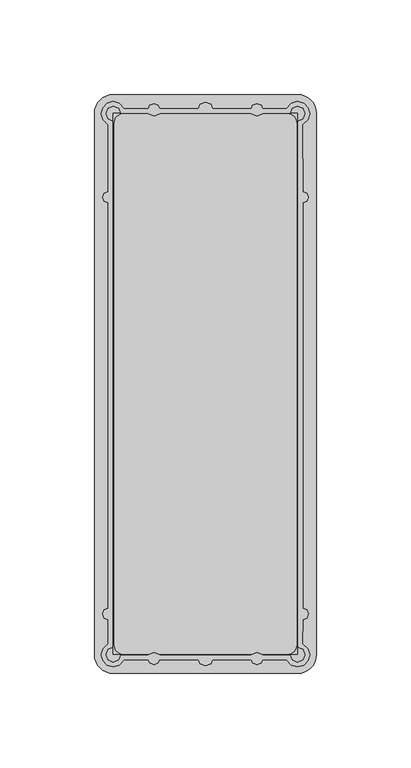
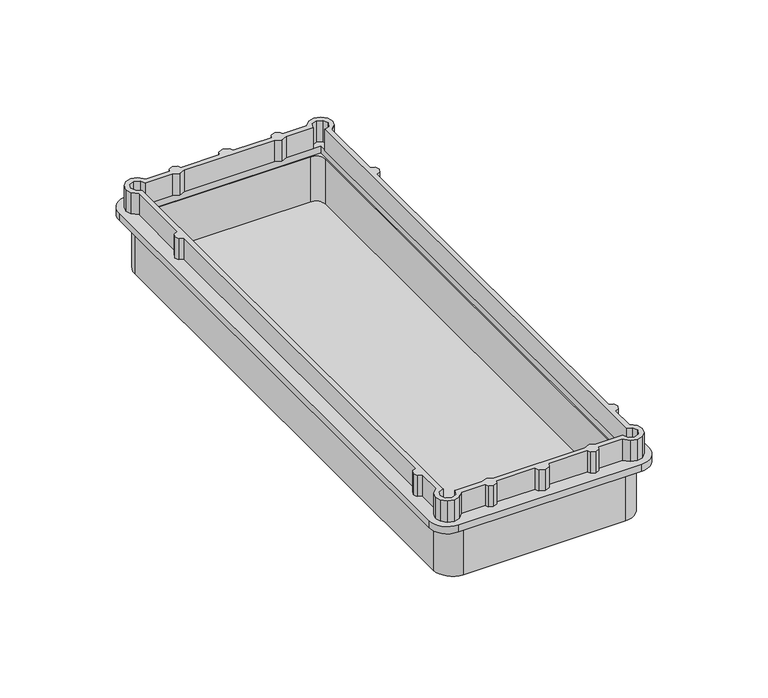
"""IFC4 building model written with IfcOpenShell, lengths in millimetres: proxy geometry."""

from ifc_helpers import new_model, si_unit, point, frame, frame_2d, origin, place, context, project, spatial, polyline, circle_curve, trimmed, segment, composite_curve, outline, extrude, source, transform, mapped, element, save


def electrical_fixtures_08a397ae(model_context):
    return source(origin(), model_context, "Body", "SweptSolid", [
        extrude(outline(composite_curve([segment(polyline([(-48.283274, -137.9999781), (-48.283274, 137.9492366)]), True, "CONTINUOUS"), segment(trimmed(circle_curve(frame_2d((-43.2832809, 137.9492366)), 4.9999931), [point((-48.283274, 137.9492366))], [point((-43.2981333, 142.9492077))], False, "CARTESIAN"), True, "CONTINUOUS"), segment(polyline([(-43.2981333, 142.9492077), (43.2981333, 142.9492077)]), True, "CONTINUOUS"), segment(trimmed(circle_curve(frame_2d((43.2832809, 137.9492366)), 4.9999931), [point((43.2981333, 142.9492077))], [point((48.283274, 137.9492366))], False, "CARTESIAN"), True, "CONTINUOUS"), segment(polyline([(48.283274, 137.9492366), (48.283274, -137.9999781)]), True, "CONTINUOUS"), segment(trimmed(circle_curve(frame_2d((43.2832809, -137.9999781)), 4.9999931), [point((48.283274, -137.9999781))], [point((43.2832809, -142.9999713))], False, "CARTESIAN"), True, "CONTINUOUS"), segment(polyline([(43.2832809, -142.9999713), (-43.2832809, -142.9999713)]), True, "CONTINUOUS"), segment(trimmed(circle_curve(frame_2d((-43.2832809, -137.9999781)), 4.9999931), [point((-43.2832809, -142.9999713))], [point((-48.283274, -137.9999781))], False, "CARTESIAN"), True, "CONTINUOUS")], self_intersect=False)), frame((0.0, 0.0, -45.0), z_axis=(0.0, 0.0, 1.0), x_axis=(1.0, 0.0, 0.0)), (0.0, 0.0, 1.0), 3.601089),
        extrude(outline(composite_curve([segment(trimmed(circle_curve(frame_2d((43.2832809, 138.0000057)), 9.9999931), [point((43.2832809, 147.9999988))], [point((53.283274, 138.0000057))], False, "CARTESIAN"), True, "CONTINUOUS"), segment(polyline([(53.283274, 138.0000057), (53.283274, -138.0000044)]), True, "CONTINUOUS"), segment(trimmed(circle_curve(frame_2d((43.2832809, -138.0000044)), 9.9999931), [point((53.283274, -138.0000044))], [point((43.2832809, -147.9999975))], False, "CARTESIAN"), True, "CONTINUOUS"), segment(polyline([(43.2832809, -147.9999975), (-43.2832743, -147.9999975)]), True, "CONTINUOUS"), segment(trimmed(circle_curve(frame_2d((-43.2832743, -137.9999978)), 9.9999997), [point((-43.2832743, -147.9999975))], [point((-53.283274, -137.9999978))], False, "CARTESIAN"), True, "CONTINUOUS"), segment(polyline([(-53.283274, -137.9999978), (-53.283274, 138.0000211)]), True, "CONTINUOUS"), segment(trimmed(circle_curve(frame_2d((-43.2832964, 138.0000211)), 9.9999777), [point((-53.283274, 138.0000211))], [point((-43.2832964, 147.9999988))], False, "CARTESIAN"), True, "CONTINUOUS"), segment(polyline([(-43.2832964, 147.9999988), (43.2832809, 147.9999988)]), True, "CONTINUOUS")], self_intersect=False), holes=[composite_curve([segment(trimmed(circle_curve(frame_2d((-43.2832809, -138.0000044)), 4.9999931), [point((-48.283274, -138.0000044))], [point((-43.2832809, -142.9999975))], True, "CARTESIAN"), True, "CONTINUOUS"), segment(polyline([(-43.2832809, -142.9999975), (43.2832809, -142.9999975)]), True, "CONTINUOUS"), segment(trimmed(circle_curve(frame_2d((43.2832809, -138.0000044)), 4.9999931), [point((43.2832809, -142.9999975))], [point((48.283274, -138.0000044))], True, "CARTESIAN"), True, "CONTINUOUS"), segment(polyline([(48.283274, -138.0000044), (48.283274, 138.0000277)]), True, "CONTINUOUS"), segment(trimmed(circle_curve(frame_2d((43.2832809, 138.0000277)), 4.9999931), [point((48.283274, 138.0000277))], [point((43.2981333, 142.9999988))], True, "CARTESIAN"), True, "CONTINUOUS"), segment(polyline([(43.2981333, 142.9999988), (-43.2981333, 142.9999988)]), True, "CONTINUOUS"), segment(trimmed(circle_curve(frame_2d((-43.2832809, 138.0000277)), 4.9999931), [point((-43.2981333, 142.9999988))], [point((-48.283274, 138.0000277))], True, "CARTESIAN"), True, "CONTINUOUS"), segment(polyline([(-48.283274, 138.0000277), (-48.283274, -138.0000044)]), True, "CONTINUOUS")], self_intersect=False)]), frame((0.0, 0.0, -45.0), z_axis=(0.0, 0.0, 1.0), x_axis=(1.0, 0.0, 0.0)), (0.0, 0.0, 1.0), 28.976671),
        extrude(outline(polyline([(-48.7500052, 149.3428281), (-45.5758318, 148.4470581), (-42.9525392, 145.6293438), (-30.1782148, 145.629342), (-29.5374906, 147.2366885), (-27.2500018, 148.1992099), (-24.9625136, 147.2366889), (-24.3217902, 145.629343), (-3.7182664, 145.629343), (-2.8284123, 147.7776486), (0.0, 148.9489495), (2.83078, 147.7764062), (3.7199209, 145.629343), (24.3217902, 145.629343), (24.9625136, 147.2366889), (27.2500018, 148.1992099), (29.5374906, 147.2366885), (30.1782148, 145.629342), (42.9525392, 145.6293438), (45.5758318, 148.4470581), (48.7500052, 149.3428281), (51.9733508, 148.4672939), (54.28584, 146.1071333), (55.1435996, 142.9492258), (54.2478346, 139.7750269), (51.413077, 137.1358767), (51.4400627, 101.721715), (53.6083574, 100.908372), (54.5351053, 98.7500119), (53.6083524, 96.5916456), (51.4400673, 95.7783155), (51.4400673, -118.5907934), (53.6083524, -119.4041236), (54.5351053, -121.5624898), (53.6083574, -123.72085), (51.4400627, -124.5341929), (51.4303616, -137.2652346), (54.2478346, -139.888293), (55.1435996, -143.0624919), (54.28584, -146.2203993), (51.9733508, -148.5805599), (48.7500052, -149.4560941), (45.5758318, -148.5603241), (42.9525392, -145.7426098), (30.1782148, -145.742608), (29.5374906, -147.3499545), (27.2500018, -148.3124759), (24.9625136, -147.349955), (24.3217902, -145.742609), (3.7199209, -145.742609), (2.83078, -147.8896723), (0.0, -149.0622155), (-2.8284123, -147.8909147), (-3.7182664, -145.742609), (-24.3217902, -145.742609), (-24.9625136, -147.349955), (-27.2500018, -148.3124759), (-29.5374906, -147.3499545), (-30.1782148, -145.742608), (-42.9525392, -145.7426098), (-45.5758318, -148.5603241), (-48.7500052, -149.4560941), (-51.9733508, -148.5805599), (-54.28584, -146.2203993), (-55.1435996, -143.0624919), (-54.2478346, -139.888293), (-51.4303616, -137.2652346), (-51.4400627, -124.5341929), (-53.6083574, -123.72085), (-54.5351053, -121.5624898), (-53.6083524, -119.4041236), (-51.4400673, -118.5907934), (-51.4400673, 95.7783155), (-53.6083524, 96.5916456), (-54.5351053, 98.7500119), (-53.6083574, 100.908372), (-51.4400627, 101.721715), (-51.413077, 137.1358767), (-54.2478346, 139.7750269), (-55.1435996, 142.9492258), (-54.28584, 146.1071333), (-51.9733508, 148.4672939), (-48.7500052, 149.3428281)]), holes=[polyline([(-48.7500235, 146.8717413), (-51.5236711, 145.7228603), (-52.6725491, 142.9492156), (-51.5236716, 140.1755872), (-48.7500026, 139.0266935), (-48.7500026, -139.1399596), (-51.5236716, -140.2888532), (-52.6725491, -143.0624817), (-51.5236711, -145.8361264), (-48.7500235, -146.9850073), (-45.9763771, -145.8361265), (-44.827496, -143.0624737), (-30.4153056, -143.0624737), (-27.2499961, -141.7513618), (-24.0898655, -143.0624737), (24.0898654, -143.0624737), (27.2499961, -141.7513618), (30.4153056, -143.0624737), (44.827496, -143.0624737), (45.9763771, -145.8361265), (48.7500235, -146.9850073), (51.5236711, -145.8361264), (52.6725491, -143.0624817), (51.5236716, -140.2888532), (48.7500061, -139.139961), (48.7500023, 139.0266934), (51.5236716, 140.1755872), (52.6725491, 142.9492156), (51.5236711, 145.7228603), (48.7500235, 146.8717413), (45.9763771, 145.7228605), (44.827496, 142.9492077), (30.4153588, 142.9492077), (27.2499961, 141.6380736), (24.0898122, 142.9492077), (-24.0898123, 142.9492077), (-27.2499961, 141.6380736), (-30.4153588, 142.9492077), (-44.827496, 142.9492077), (-45.9763771, 145.7228605), (-48.7500235, 146.8717413)])]), frame((0.0, 0.0, -12.0000015), z_axis=(0.0, 0.0, 1.0), x_axis=(1.0, 0.0, 0.0)), (0.0, 0.0, 1.0), 12.0000015),
        extrude(outline(composite_curve([segment(trimmed(circle_curve(frame_2d((48.7500069, 143.0000057)), 9.9999931), [point((48.7500069, 152.9999988))], [point((58.75, 143.0000057))], False, "CARTESIAN"), True, "CONTINUOUS"), segment(polyline([(58.75, 143.0000057), (58.75, -143.0000044)]), True, "CONTINUOUS"), segment(trimmed(circle_curve(frame_2d((48.7500069, -143.0000044)), 9.9999931), [point((58.75, -143.0000044))], [point((48.7500069, -152.9999975))], False, "CARTESIAN"), True, "CONTINUOUS"), segment(polyline([(48.7500069, -152.9999975), (-48.7500003, -152.9999975)]), True, "CONTINUOUS"), segment(trimmed(circle_curve(frame_2d((-48.7500003, -142.9999978)), 9.9999997), [point((-48.7500003, -152.9999975))], [point((-58.75, -142.9999978))], False, "CARTESIAN"), True, "CONTINUOUS"), segment(polyline([(-58.75, -142.9999978), (-58.75, 143.0000211)]), True, "CONTINUOUS"), segment(trimmed(circle_curve(frame_2d((-48.7500223, 143.0000211)), 9.9999777), [point((-58.75, 143.0000211))], [point((-48.7500223, 152.9999988))], False, "CARTESIAN"), True, "CONTINUOUS"), segment(polyline([(-48.7500223, 152.9999988), (48.7500069, 152.9999988)]), True, "CONTINUOUS")], self_intersect=False), holes=[polyline([(-48.7500026, 142.9999946), (-48.7500026, -142.9999713), (48.7500061, -142.9999713), (48.7500023, 142.9999946), (-48.7500026, 142.9999946)])]), frame((0.0, 0.0, -16.023329), z_axis=(0.0, 0.0, 1.0), x_axis=(1.0, 0.0, 0.0)), (0.0, 0.0, 1.0), 4.0233275),
    ])


if __name__ == "__main__":
    model = new_model("IFC4")
    model_context = context("Model", 3, world=origin())
    ifc_project = project(units=[si_unit("LENGTHUNIT", "METRE", prefix="MILLI")], contexts=[model_context])
    site = spatial("IfcSite", under=ifc_project)
    building = spatial("IfcBuilding", under=site)
    placement = place(None, origin())
    electrical_fixtures_shape = electrical_fixtures_08a397ae(model_context)
    element("IfcBuildingElementProxy", 1, Name="Electrical Fixtures", at=placement, inside=building, context=model_context, shape_type="MappedRepresentation", body=[
        mapped(electrical_fixtures_shape, transform((0.0, 0.0, 0.0), x_axis=(1.0, 0.0, 0.0), y_axis=(0.0, 1.0, 0.0), z_axis=(0.0, 0.0, 1.0))),
    ])
    save(model, "model.ifc")
